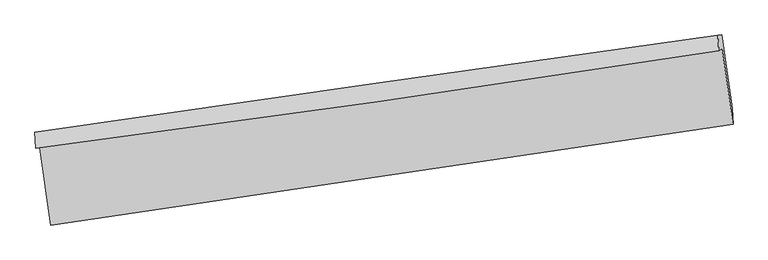
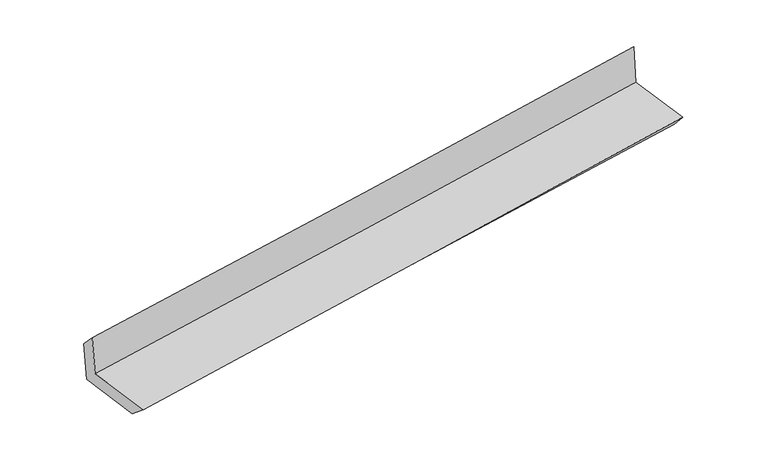
"""IFC4 building model written with IfcOpenShell, lengths in millimetres: proxy geometry."""

from ifc_helpers import new_model, si_unit, frame, origin, place, context, project, spatial, source, transform, mapped, element, save
from ifc_brep_helpers import plane_surface, spline_curve, spline_surface, advanced_brep


def generic_models_cfeef760(model_context):
    return source(origin(), model_context, "Body", "AdvancedBrep", [
        advanced_brep(
        [(-3000.9008903, -1924.3021887, 1656.3092002), (-2903.968094, -2600.4323525, 1647.6292117), (3045.5254317, -1722.000773, 2151.752164), (2951.2505155, -1062.3457369, 2156.7601127), (-3033.8858175, -1930.4308791, 2052.212267), (2919.9547325, -1082.5471811, 2556.3224531), (-3041.1991869, -1792.5131097, 1908.2931388), (2913.348209, -943.6130623, 2402.447078), (-3008.1041254, -1791.0539845, 1518.8704302), (2945.2637552, -942.7774641, 2027.854258), (-2916.2354529, -2425.2664303, 1499.6739095), (3039.0367161, -1581.3121523, 1993.5804504)],
        [
            (0, 1),
            (1, 2, spline_curve(3, [(-2903.968094, -2600.4323525, 1647.6292117), (-1912.11038692, -2455.57550654, 1731.046215924), (-920.392134651, -2309.944710167, 1814.764816409), (1062.772375571, -2017.134194304, 1982.805796322), (2054.218632154, -1869.954464261, 2067.128179813), (3045.5254317, -1722.000773, 2151.752164)], [4, 2, 4], [0.0, 9.900008486185254, 19.800086035493127])),
            (2, 3),
            (3, 0, spline_curve(3, [(2951.2505155, -1062.3457369, 2156.7601127), (1960.355285277, -1212.825492348, 2071.525784442), (968.893320651, -1359.895312843, 1987.204235428), (-1015.157155641, -1647.214082783, 1820.387277033), (-2007.745660058, -1787.463079113, 1737.891855612), (-3000.9008903, -1924.3021887, 1656.3092002)], [4, 2, 4], [0.0, 9.900077549307873, 19.800086035493127])),
            (4, 0),
            (3, 5),
            (5, 4, spline_curve(3, [(2919.9547325, -1082.5471811, 2556.3224531), (1928.818721977, -1235.709569495, 2478.366457008), (937.095605046, -1382.947964242, 2397.379119686), (-1047.517920071, -1665.575781146, 2229.34234863), (-2040.408319677, -1800.965285439, 2142.29295743), (-3033.8858175, -1930.4308791, 2052.212267)], [4, 2, 4], [0.0, 9.900097068394903, 19.80012507353102])),
            (6, 4),
            (5, 7),
            (7, 6, spline_curve(3, [(2913.348209, -943.6130623, 2402.447078), (1920.445097606, -1083.399736325, 2322.902973228), (927.779529044, -1224.03499363, 2241.951277437), (-1057.069599848, -1507.001687776, 2077.233278103), (-2049.253163118, -1649.333112969, 1993.466994254), (-3041.1991869, -1792.5131097, 1908.2931388)], [4, 2, 4], [0.0, 9.900038350031926, 19.800007637214684])),
            (8, 6),
            (7, 9),
            (9, 8, spline_curve(3, [(2945.2637552, -942.7774641, 2027.854258), (1952.955936858, -1082.252130134, 1940.830075131), (960.686307147, -1222.679423175, 1854.902520785), (-1023.769652322, -1505.438276356, 1685.241260197), (-2015.95598308, -1647.769823844, 1601.507538729), (-3008.1041254, -1791.0539845, 1518.8704302)], [4, 2, 4], [0.0, 9.899981193993602, 19.79989332553676])),
            (10, 8),
            (9, 11),
            (11, 10, spline_curve(3, [(3039.0367161, -1581.3121523, 1993.5804504), (2046.254401583, -1721.923129604, 1913.995112049), (1053.588832966, -1862.558387172, 1833.043416381), (-931.501888728, -2143.876479985, 1668.407883672), (-1923.927042774, -2284.55931546, 1584.724065985), (-2916.2354529, -2425.2664303, 1499.6739095)], [4, 2, 4], [0.0, 9.899978406505094, 19.799887750579188])),
            (1, 10),
            (11, 2),
        ],
        [
            spline_surface(3, 3, [[(-3000.9008903, -1924.3021887, 1656.3092002), (-2007.745659965, -1787.463079259, 1737.891855457), (-1015.157155746, -1647.214082649, 1820.387277171), (968.893320756, -1359.895312977, 1987.20423529), (1960.355285147, -1212.825492281, 2071.525784368), (2951.2505155, -1062.3457369, 2156.7601127)], [(-2968.589958216, -2149.678909978, 1653.41587071), (-1975.867235581, -2010.167221729, 1735.609975613), (-983.568815453, -1868.124291808, 1818.51312361), (1000.186339057, -1578.974940129, 1985.738088989), (1991.643067534, -1431.868482994, 2070.059916202), (2982.675487569, -1282.230748931, 2155.090796463)], [(-2936.279026084, -2375.055631222, 1650.52254119), (-1943.988811149, -2232.871364164, 1733.328095739), (-951.980475096, -2089.034500924, 1816.638969977), (1031.479357422, -1798.054567236, 1984.271942616), (2022.930849913, -1650.911473713, 2068.594048046), (3014.100459631, -1502.115760969, 2153.421480237)], [(-2903.968094, -2600.4323525, 1647.6292117), (-1912.110386766, -2455.575506633, 1731.046215896), (-920.392134803, -2309.944710083, 1814.764816416), (1062.772375723, -2017.134194388, 1982.805796315), (2054.2186323, -1869.954464426, 2067.12817988), (3045.5254317, -1722.000773, 2151.752164)]], [4, 4], [4, 2, 4], [0.0, 2.187367234902996], [0.0, 9.900008486185254, 19.800086035493127]),
            spline_surface(3, 3, [[(-3033.8858175, -1930.4308791, 2052.212267), (-2040.408319574, -1800.965285566, 2142.292957333), (-1047.517919934, -1665.575781025, 2229.342348655), (937.095604908, -1382.947964364, 2397.379119661), (1928.818721968, -1235.70956953, 2478.366457014), (2919.9547325, -1082.5471811, 2556.3224531)], [(-3022.890841759, -1928.387982296, 1920.244578073), (-2029.520766363, -1796.464550127, 2007.492590047), (-1036.73099852, -1659.45521488, 2093.02399147), (947.694843542, -1375.263747215, 2260.65415818), (1939.330909713, -1228.081543776, 2342.752899479), (2930.386660185, -1075.813366362, 2423.135006314)], [(-3011.895866041, -1926.345085504, 1788.276889127), (-2018.633213175, -1791.963814699, 1872.692222743), (-1025.94407716, -1653.334648794, 1956.705634356), (958.294082122, -1367.579530126, 2123.92919677), (1949.843097402, -1220.453518036, 2207.139341902), (2940.818587815, -1069.079551638, 2289.947559486)], [(-3000.9008903, -1924.3021887, 1656.3092002), (-2007.745659965, -1787.463079259, 1737.891855457), (-1015.157155746, -1647.214082649, 1820.387277171), (968.893320756, -1359.895312977, 1987.20423529), (1960.355285147, -1212.825492281, 2071.525784368), (2951.2505155, -1062.3457369, 2156.7601127)]], [4, 4], [4, 2, 4], [0.0, 1.3495436509797882], [0.0, 9.900028005136118, 19.80012507353102]),
            spline_surface(3, 3, [[(-3041.1991869, -1792.5131097, 1908.2931388), (-2049.253163006, -1649.333112987, 1993.466994194), (-1057.069599731, -1507.001687851, 2077.233278078), (927.779528927, -1224.034993555, 2241.951277462), (1920.445097608, -1083.399736205, 2322.902973288), (2913.348209, -943.6130623, 2402.447078)], [(-3038.761397076, -1838.485699492, 1956.266181519), (-2046.304881838, -1699.877170505, 2043.07564856), (-1053.885706474, -1559.859718938, 2127.936301603), (930.884887579, -1277.005983853, 2293.760558195), (1923.23630573, -1134.16968065, 2374.724134516), (2915.550383502, -989.924435237, 2453.738869686)], [(-3036.323607324, -1884.458289308, 2004.239224281), (-2043.356600742, -1750.421228048, 2092.684302968), (-1050.701813191, -1612.717749939, 2178.63932513), (933.990246256, -1329.976974066, 2345.569838928), (1926.027513846, -1184.939625085, 2426.545295786), (2917.752557998, -1036.235808163, 2505.030661414)], [(-3033.8858175, -1930.4308791, 2052.212267), (-2040.408319574, -1800.965285566, 2142.292957333), (-1047.517919934, -1665.575781025, 2229.342348655), (937.095604908, -1382.947964364, 2397.379119661), (1928.818721968, -1235.70956953, 2478.366457014), (2919.9547325, -1082.5471811, 2556.3224531)]], [4, 4], [4, 2, 4], [0.0, 0.7257500327242667], [0.0, 9.899969287182758, 19.800007637214684]),
            spline_surface(3, 3, [[(-3008.1041254, -1791.0539845, 1518.8704302), (-2015.955983055, -1647.769823693, 1601.507538704), (-1023.769652414, -1505.438276473, 1685.241260179), (960.686307239, -1222.679423058, 1854.902520803), (1952.955936826, -1082.252130127, 1940.830075279), (2945.2637552, -942.7774641, 2027.854258)], [(-3019.135812585, -1791.540359571, 1648.677999717), (-2027.055043057, -1648.290920129, 1732.160690517), (-1034.869634855, -1505.959413579, 1815.905266141), (949.717381133, -1223.131279869, 1983.918773019), (1942.118990421, -1082.634665492, 2068.187707952), (2934.625239801, -943.055996839, 2152.718531337)], [(-3030.167499715, -1792.026734629, 1778.485569283), (-2038.154103004, -1648.812016551, 1862.813842381), (-1045.96961729, -1506.480550746, 1946.569272116), (938.748455033, -1223.583136743, 2112.935025247), (1931.282044013, -1083.01720084, 2195.545340614), (2923.986724399, -943.334529561, 2277.582804663)], [(-3041.1991869, -1792.5131097, 1908.2931388), (-2049.253163006, -1649.333112987, 1993.466994194), (-1057.069599731, -1507.001687851, 2077.233278078), (927.779528927, -1224.034993555, 2241.951277462), (1920.445097608, -1083.399736205, 2322.902973288), (2913.348209, -943.6130623, 2402.447078)]], [4, 4], [4, 2, 4], [0.0, 1.2825695773646324], [0.0, 9.899912131543159, 19.79989332553676]),
            spline_surface(3, 3, [[(-2916.2354529, -2425.2664303, 1499.6739095), (-1923.927042895, -2284.559315418, 1584.72406586), (-931.501888563, -2143.876480074, 1668.407883681), (1053.588832802, -1862.558387082, 1833.043416371), (2046.254401483, -1721.923129732, 1913.995112197), (3039.0367161, -1581.3121523, 1993.5804504)], [(-2946.858343725, -2213.862281694, 1506.072749744), (-1954.603356273, -2072.296151503, 1590.318556818), (-962.257809842, -1931.063745556, 1674.019009197), (1022.621324285, -1649.265399089, 1840.329784532), (2015.154913266, -1508.699463186, 1922.940099899), (3007.779062468, -1368.467256222, 2005.005052942)], [(-2977.481234575, -2002.458133106, 1512.471589956), (-1985.279669677, -1860.032987607, 1595.913047746), (-993.013731135, -1718.251010992, 1679.630134663), (991.653815755, -1435.972411051, 1847.616152643), (1984.055425044, -1295.475796673, 1931.885087576), (2976.521408832, -1155.622360178, 2016.429655458)], [(-3008.1041254, -1791.0539845, 1518.8704302), (-2015.955983055, -1647.769823693, 1601.507538704), (-1023.769652414, -1505.438276473, 1685.241260179), (960.686307239, -1222.679423058, 1854.902520803), (1952.955936826, -1082.252130127, 1940.830075279), (2945.2637552, -942.7774641, 2027.854258)]], [4, 4], [4, 2, 4], [0.0, 2.119813567424129], [0.0, 9.899909344074095, 19.799887750579188]),
            spline_surface(3, 3, [[(-2903.968094, -2600.4323525, 1647.6292117), (-1912.110386766, -2455.575506633, 1731.046215896), (-920.392134803, -2309.944710083, 1814.764816416), (1062.772375723, -2017.134194388, 1982.805796315), (2054.2186323, -1869.954464426, 2067.12817988), (3045.5254317, -1722.000773, 2151.752164)], [(-2908.057213639, -2542.043711769, 1598.310777638), (-1916.049272148, -2398.570109564, 1682.272165889), (-924.095386047, -2254.588633396, 1765.979172159), (1059.711194758, -1965.608925268, 1932.885002988), (2051.563888668, -1820.610686204, 2016.083823977), (3043.362526473, -1675.10456611, 2099.028259458)], [(-2912.146333261, -2483.655071031, 1548.992343562), (-1919.988157513, -2341.564712488, 1633.498115867), (-927.798637318, -2199.232556762, 1717.193527938), (1056.650013766, -1914.083656202, 1882.964209698), (2048.909145115, -1771.266907954, 1965.0394681), (3041.199621327, -1628.20835919, 2046.304354942)], [(-2916.2354529, -2425.2664303, 1499.6739095), (-1923.927042895, -2284.559315418, 1584.72406586), (-931.501888563, -2143.876480074, 1668.407883681), (1053.588832802, -1862.558387082, 1833.043416371), (2046.254401483, -1721.923129732, 1913.995112197), (3039.0367161, -1581.3121523, 1993.5804504)]], [4, 4], [4, 2, 4], [0.0, 0.7167546969986167], [0.0, 9.899943426431259, 19.799955915531278]),
            plane_surface(frame((2969.0632267, -1222.4327283, 2214.7860861), z_axis=(0.9865017997093171, 0.1403459090342002, 0.08436364731116555), x_axis=(-0.08489285696917831, -0.0022226259089284587, 0.9963876066921344))),
            plane_surface(frame((-2984.0489278, -2077.3331575, 1713.8313596), z_axis=(-0.9865017997095477, -0.14034590903273692, -0.08436364731090461), x_axis=(-0.141901676752847, 0.9897991975960487, 0.012706792394174247))),
        ],
        [
            (0, [[1, 2, 3, 4]]),
            (1, [[5, -4, 6, 7]]),
            (2, [[8, -7, 9, 10]]),
            (3, [[11, -10, 12, 13]]),
            (4, [[14, -13, 15, 16]]),
            (5, [[17, -16, 18, -2]]),
            (6, [[-12, -9, -6, -3, -18, -15]]),
            (7, [[-1, -5, -8, -11, -14, -17]]),
        ],
    ),
    ])


if __name__ == "__main__":
    model = new_model("IFC4")
    model_context = context("Model", 3, world=origin())
    ifc_project = project(units=[si_unit("LENGTHUNIT", "METRE", prefix="MILLI")], contexts=[model_context])
    site = spatial("IfcSite", under=ifc_project)
    building = spatial("IfcBuilding", under=site)
    placement = place(None, origin())
    generic_models_shape = generic_models_cfeef760(model_context)
    element("IfcBuildingElementProxy", 1, Name="Generic Models", at=placement, inside=building, context=model_context, shape_type="MappedRepresentation", body=[
        mapped(generic_models_shape, transform((0.0, 0.0, 0.0), x_axis=(1.0, 0.0, 0.0), y_axis=(0.0, 1.0, 0.0), z_axis=(0.0, 0.0, 1.0))),
    ])
    save(model, "model.ifc")
